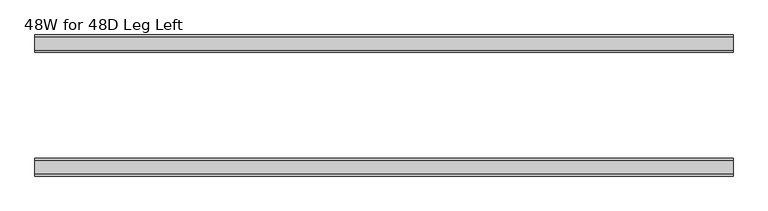
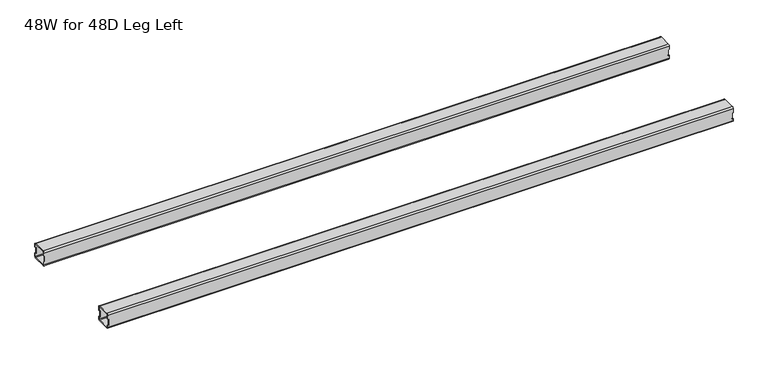
"""IFC4 building model written with IfcOpenShell, lengths in millimetres: furniture geometry, 48W for 48D Leg Left."""

from ifc_helpers import new_model, si_unit, frame, origin, place, context, project, spatial, polyline, circle_curve, source, transform, mapped, element, save
from ifc_brep_helpers import plane_surface, cylinder_surface, revolved_surface, advanced_brep


def furniture_48w_for_48d_leg_left_442c5aa0(model_context):
    return source(origin(), model_context, "Body", "AdvancedBrep", [
        advanced_brep(
        [(789.5077, -195.0, 656.526), (789.5077, -191.0, 652.526), (789.5077, -159.0, 652.526), (789.5077, -155.0, 656.526), (789.5077, -155.0, 664.026), (789.5077, -157.0, 664.026), (789.5077, -157.0, 656.526), (789.5077, -159.0, 654.526), (789.5077, -191.0, 654.526), (789.5077, -193.0, 656.526), (789.5077, -193.0, 664.026), (789.5077, -195.0, 664.026), (789.5077, -159.0, 692.15), (789.5077, -191.0, 692.15), (789.5077, -195.0, 688.15), (789.5077, -195.0, 680.65), (789.5077, -193.0, 680.65), (789.5077, -193.0, 688.15), (789.5077, -191.0, 690.15), (789.5077, -159.0, 690.15), (789.5077, -157.0, 688.15), (789.5077, -157.0, 680.65), (789.5077, -155.0, 680.65), (789.5077, -155.0, 688.15), (-800.8625, -155.0, 656.526), (-800.8625, -159.0, 652.526), (-800.8625, -191.0, 652.526), (-800.8625, -195.0, 656.526), (-800.8625, -195.0, 664.026), (-800.8625, -193.0, 664.026), (-800.8625, -193.0, 656.526), (-800.8625, -191.0, 654.526), (-800.8625, -159.0, 654.526), (-800.8625, -157.0, 656.526), (-800.8625, -157.0, 664.026), (-800.8625, -155.0, 664.026), (-800.8625, -159.0, 692.15), (-800.8625, -155.0, 688.15), (-800.8625, -155.0, 680.65), (-800.8625, -157.0, 680.65), (-800.8625, -157.0, 688.15), (-800.8625, -159.0, 690.15), (-800.8625, -191.0, 690.15), (-800.8625, -193.0, 688.15), (-800.8625, -193.0, 680.65), (-800.8625, -195.0, 680.65), (-800.8625, -195.0, 688.15), (-800.8625, -191.0, 692.15), (788.1427, -155.0, 680.65), (787.5077, -155.0, 680.015), (787.5077, -155.0, 664.661), (788.1427, -155.0, 664.026), (-799.4975, -155.0, 664.026), (-798.8625, -155.0, 664.661), (-798.8625, -155.0, 680.015), (-799.4975, -155.0, 680.65), (788.1427, -195.0, 664.026), (787.5077, -195.0, 664.661), (787.5077, -195.0, 680.015), (788.1427, -195.0, 680.65), (-799.4975, -195.0, 680.65), (-798.8625, -195.0, 680.015), (-798.8625, -195.0, 664.661), (-799.4975, -195.0, 664.026), (788.1427, -193.0, 680.65), (787.5077, -193.0, 680.015), (787.5077, -193.0, 664.661), (788.1427, -193.0, 664.026), (-799.4975, -193.0, 664.026), (-798.8625, -193.0, 664.661), (-798.8625, -193.0, 680.015), (-799.4975, -193.0, 680.65), (788.1427, -157.0, 664.026), (787.5077, -157.0, 664.661), (787.5077, -157.0, 680.015), (788.1427, -157.0, 680.65), (-799.4975, -157.0, 680.65), (-798.8625, -157.0, 680.015), (-798.8625, -157.0, 664.661), (-799.4975, -157.0, 664.026)],
        [
            (0, 1, circle_curve(frame((789.5077, -191.0, 656.526), z_axis=(1.0, 0.0, 0.0), x_axis=(0.0, -1.0, 0.0)), 4.0)),
            (1, 2),
            (2, 3, circle_curve(frame((789.5077, -159.0, 656.526), z_axis=(1.0, 0.0, 0.0), x_axis=(0.0, -1.0, 0.0)), 4.0)),
            (3, 4),
            (4, 5),
            (5, 6),
            (6, 7, circle_curve(frame((789.5077, -159.0, 656.526), z_axis=(-1.0, 0.0, 0.0), x_axis=(0.0, -1.0, 0.0)), 2.0)),
            (7, 8),
            (8, 9, circle_curve(frame((789.5077, -191.0, 656.526), z_axis=(-1.0, 0.0, 0.0), x_axis=(0.0, -1.0, 0.0)), 2.0)),
            (9, 10),
            (10, 11),
            (11, 0),
            (12, 13),
            (13, 14, circle_curve(frame((789.5077, -191.0, 688.15), z_axis=(1.0, 0.0, 0.0), x_axis=(0.0, -1.0, 0.0)), 4.0)),
            (14, 15),
            (15, 16),
            (16, 17),
            (17, 18, circle_curve(frame((789.5077, -191.0, 688.15), z_axis=(-1.0, 0.0, 0.0), x_axis=(0.0, -1.0, 0.0)), 2.0)),
            (18, 19),
            (19, 20, circle_curve(frame((789.5077, -159.0, 688.15), z_axis=(-1.0, 0.0, 0.0), x_axis=(0.0, -1.0, 0.0)), 2.0)),
            (20, 21),
            (21, 22),
            (22, 23),
            (23, 12, circle_curve(frame((789.5077, -159.0, 688.15), z_axis=(1.0, 0.0, 0.0), x_axis=(0.0, -1.0, 0.0)), 4.0)),
            (24, 25, circle_curve(frame((-800.8625, -159.0, 656.526), z_axis=(-1.0, 0.0, 0.0), x_axis=(0.0, -1.0, 0.0)), 4.0)),
            (25, 26),
            (26, 27, circle_curve(frame((-800.8625, -191.0, 656.526), z_axis=(-1.0, 0.0, 0.0), x_axis=(0.0, -1.0, 0.0)), 4.0)),
            (27, 28),
            (28, 29),
            (29, 30),
            (30, 31, circle_curve(frame((-800.8625, -191.0, 656.526), z_axis=(1.0, 0.0, 0.0), x_axis=(0.0, -1.0, 0.0)), 2.0)),
            (31, 32),
            (32, 33, circle_curve(frame((-800.8625, -159.0, 656.526), z_axis=(1.0, 0.0, 0.0), x_axis=(0.0, -1.0, 0.0)), 2.0)),
            (33, 34),
            (34, 35),
            (35, 24),
            (36, 37, circle_curve(frame((-800.8625, -159.0, 688.15), z_axis=(-1.0, 0.0, 0.0), x_axis=(0.0, -1.0, 0.0)), 4.0)),
            (37, 38),
            (38, 39),
            (39, 40),
            (40, 41, circle_curve(frame((-800.8625, -159.0, 688.15), z_axis=(1.0, 0.0, 0.0), x_axis=(0.0, -1.0, 0.0)), 2.0)),
            (41, 42),
            (42, 43, circle_curve(frame((-800.8625, -191.0, 688.15), z_axis=(1.0, 0.0, 0.0), x_axis=(0.0, -1.0, 0.0)), 2.0)),
            (43, 44),
            (44, 45),
            (45, 46),
            (46, 47, circle_curve(frame((-800.8625, -191.0, 688.15), z_axis=(-1.0, 0.0, 0.0), x_axis=(0.0, -1.0, 0.0)), 4.0)),
            (47, 36),
            (23, 37),
            (36, 12),
            (22, 48),
            (48, 49, circle_curve(frame((788.1427, -155.0, 680.015), z_axis=(0.0, -1.0, 0.0), x_axis=(-1.0, 0.0, 0.0)), 0.635)),
            (49, 50),
            (50, 51, circle_curve(frame((788.1427, -155.0, 664.661), z_axis=(0.0, -1.0, 0.0), x_axis=(-1.0, 0.0, 0.0)), 0.635)),
            (51, 4),
            (3, 24),
            (35, 52),
            (52, 53, circle_curve(frame((-799.4975, -155.0, 664.661), z_axis=(0.0, -1.0, 0.0), x_axis=(1.0, 0.0, 0.0)), 0.635)),
            (53, 54),
            (54, 55, circle_curve(frame((-799.4975, -155.0, 680.015), z_axis=(0.0, -1.0, 0.0), x_axis=(1.0, 0.0, 0.0)), 0.635)),
            (55, 38),
            (2, 25),
            (1, 26),
            (0, 27),
            (11, 56),
            (56, 57, circle_curve(frame((788.1427, -195.0, 664.661), z_axis=(0.0, 1.0, 0.0), x_axis=(-1.0, 0.0, 0.0)), 0.635)),
            (57, 58),
            (58, 59, circle_curve(frame((788.1427, -195.0, 680.015), z_axis=(0.0, 1.0, 0.0), x_axis=(-1.0, 0.0, 0.0)), 0.635)),
            (59, 15),
            (14, 46),
            (45, 60),
            (60, 61, circle_curve(frame((-799.4975, -195.0, 680.015), z_axis=(0.0, 1.0, 0.0), x_axis=(1.0, 0.0, 0.0)), 0.635)),
            (61, 62),
            (62, 63, circle_curve(frame((-799.4975, -195.0, 664.661), z_axis=(0.0, 1.0, 0.0), x_axis=(1.0, 0.0, 0.0)), 0.635)),
            (63, 28),
            (13, 47),
            (17, 43),
            (42, 18),
            (16, 64),
            (64, 65, circle_curve(frame((788.1427, -193.0, 680.015), z_axis=(0.0, -1.0, 0.0), x_axis=(-1.0, 0.0, 0.0)), 0.635)),
            (65, 66),
            (66, 67, circle_curve(frame((788.1427, -193.0, 664.661), z_axis=(0.0, -1.0, 0.0), x_axis=(-1.0, 0.0, 0.0)), 0.635)),
            (67, 10),
            (9, 30),
            (29, 68),
            (68, 69, circle_curve(frame((-799.4975, -193.0, 664.661), z_axis=(0.0, -1.0, 0.0), x_axis=(1.0, 0.0, 0.0)), 0.635)),
            (69, 70),
            (70, 71, circle_curve(frame((-799.4975, -193.0, 680.015), z_axis=(0.0, -1.0, 0.0), x_axis=(1.0, 0.0, 0.0)), 0.635)),
            (71, 44),
            (8, 31),
            (7, 32),
            (6, 33),
            (5, 72),
            (72, 73, circle_curve(frame((788.1427, -157.0, 664.661), z_axis=(0.0, 1.0, 0.0), x_axis=(-1.0, 0.0, 0.0)), 0.635)),
            (73, 74),
            (74, 75, circle_curve(frame((788.1427, -157.0, 680.015), z_axis=(0.0, 1.0, 0.0), x_axis=(-1.0, 0.0, 0.0)), 0.635)),
            (75, 21),
            (20, 40),
            (39, 76),
            (76, 77, circle_curve(frame((-799.4975, -157.0, 680.015), z_axis=(0.0, 1.0, 0.0), x_axis=(1.0, 0.0, 0.0)), 0.635)),
            (77, 78),
            (78, 79, circle_curve(frame((-799.4975, -157.0, 664.661), z_axis=(0.0, 1.0, 0.0), x_axis=(1.0, 0.0, 0.0)), 0.635)),
            (79, 34),
            (19, 41),
            (63, 68),
            (79, 52),
            (62, 69),
            (78, 53),
            (61, 70),
            (77, 54),
            (60, 71),
            (76, 55),
            (67, 56),
            (51, 72),
            (66, 57),
            (50, 73),
            (65, 58),
            (49, 74),
            (64, 59),
            (48, 75),
        ],
        [
            plane_surface(frame((789.5077, -191.0, 692.15), z_axis=(1.0, 0.0, 0.0), x_axis=(0.0, -1.0, 0.0))),
            plane_surface(frame((-800.8625, -191.0, 692.15), z_axis=(-1.0, 0.0, 0.0), x_axis=(0.0, 1.0, 0.0))),
            cylinder_surface(frame((-800.8625, -159.0, 688.15), z_axis=(1.0, 0.0, 0.0), x_axis=(0.0, -1.0, 0.0)), 4.0),
            plane_surface(frame((789.5077, -155.0, 656.526), z_axis=(0.0, 1.0, -2.77038700604848e-12), x_axis=(-1.0, 0.0, 0.0))),
            cylinder_surface(frame((-800.8625, -159.0, 656.526), z_axis=(1.0, 0.0, 0.0), x_axis=(0.0, -1.0, 0.0)), 4.0),
            plane_surface(frame((789.5077, -191.0, 652.526), z_axis=(0.0, 0.0, -1.0), x_axis=(-1.0, 0.0, 0.0))),
            cylinder_surface(frame((-800.8625, -191.0, 656.526), z_axis=(1.0, 0.0, 0.0), x_axis=(0.0, -1.0, 0.0)), 4.0),
            plane_surface(frame((789.5077, -195.0, 688.15), z_axis=(0.0, -1.0, 0.0), x_axis=(-1.0, 0.0, 0.0))),
            cylinder_surface(frame((-800.8625, -191.0, 688.15), z_axis=(1.0, 0.0, 0.0), x_axis=(0.0, -1.0, 0.0)), 4.0),
            plane_surface(frame((789.5077, -159.0, 692.15), z_axis=(0.0, 0.0, 1.0), x_axis=(-1.0, 0.0, 0.0))),
            revolved_surface(polyline([(-800.8625, -193.0, 688.15), (789.5076999999999, -193.0, 688.15)]), (-673.8625, -191.0, 688.15), (-1.0, 0.0, 0.0)),
            plane_surface(frame((789.5077, -193.0, 656.526), z_axis=(0.0, 1.0, 0.0), x_axis=(-1.0, 0.0, 0.0))),
            revolved_surface(polyline([(-800.8625, -193.0, 656.526), (789.5076999999999, -193.0, 656.526)]), (-673.8625, -191.0, 656.526), (-1.0, 0.0, 0.0)),
            plane_surface(frame((789.5077, -159.0, 654.526), z_axis=(0.0, 0.0, 1.0), x_axis=(-1.0, 0.0, 0.0))),
            revolved_surface(polyline([(-800.8625, -161.0, 656.526), (789.5076999999999, -161.0, 656.526)]), (-673.8625, -159.0, 656.526), (-1.0, 0.0, 0.0)),
            plane_surface(frame((789.5077, -157.0, 688.15), z_axis=(0.0, -1.0, 0.0), x_axis=(-1.0, 0.0, 0.0))),
            revolved_surface(polyline([(-800.8625, -161.0, 688.15), (789.5076999999999, -161.0, 688.15)]), (-673.8625, -159.0, 688.15), (-1.0, 0.0, 0.0)),
            plane_surface(frame((789.5077, -191.0, 690.15), z_axis=(0.0, 2.732547521581362e-12, -1.0), x_axis=(-1.0, 0.0, 0.0))),
            plane_surface(frame((-799.4975, -155.0, 664.026), z_axis=(0.0, 0.0, 1.0), x_axis=(0.0, -1.0, 0.0))),
            revolved_surface(polyline([(-798.8625, -193.0, 664.661), (-798.8625, -195.0, 664.661)]), (-799.4975, -195.0, 664.661), (0.0, 1.0, 0.0)),
            revolved_surface(polyline([(-798.8625, -155.0, 664.661), (-798.8625, -157.0, 664.661)]), (-799.4975, -195.0, 664.661), (0.0, 1.0, 0.0)),
            plane_surface(frame((-798.8625, -155.0, 680.015), z_axis=(-1.0, 0.0, -5.66858444144488e-12), x_axis=(0.0, -1.0, 0.0))),
            revolved_surface(polyline([(-798.8625, -193.0, 680.015), (-798.8625, -195.0, 680.015)]), (-799.4975, -195.0, 680.015), (0.0, 1.0, 0.0)),
            revolved_surface(polyline([(-798.8625, -155.0, 680.015), (-798.8625, -157.0, 680.015)]), (-799.4975, -195.0, 680.015), (0.0, 1.0, 0.0)),
            plane_surface(frame((-800.8625, -155.0, 680.65), z_axis=(7.764514303605956e-11, 0.0, -1.0), x_axis=(0.0, -1.0, 0.0))),
            plane_surface(frame((789.5077, -155.0, 664.026), z_axis=(0.0, 0.0, 1.0), x_axis=(0.0, -1.0, 0.0))),
            revolved_surface(polyline([(787.5077, -193.0, 664.661), (787.5077, -195.0, 664.661)]), (788.1427, -195.0, 664.661), (0.0, 1.0, 0.0)),
            revolved_surface(polyline([(787.5077, -155.0, 664.661), (787.5077, -157.0, 664.661)]), (788.1427, -195.0, 664.661), (0.0, 1.0, 0.0)),
            plane_surface(frame((787.5077, -155.0, 664.661), z_axis=(1.0, 0.0, 8.163466863122722e-12), x_axis=(0.0, -1.0, 0.0))),
            revolved_surface(polyline([(787.5077, -193.0, 680.015), (787.5077, -195.0, 680.015)]), (788.1427, -195.0, 680.015), (0.0, 1.0, 0.0)),
            revolved_surface(polyline([(787.5077, -155.0, 680.015), (787.5077, -157.0, 680.015)]), (788.1427, -195.0, 680.015), (0.0, 1.0, 0.0)),
            plane_surface(frame((788.1427, -155.0, 680.65), z_axis=(-8.726401774417909e-12, 0.0, -1.0), x_axis=(0.0, -1.0, 0.0))),
        ],
        [
            (0, [[1, 2, 3, 4, 5, 6, 7, 8, 9, 10, 11, 12]]),
            (0, [[13, 14, 15, 16, 17, 18, 19, 20, 21, 22, 23, 24]]),
            (1, [[25, 26, 27, 28, 29, 30, 31, 32, 33, 34, 35, 36]]),
            (1, [[37, 38, 39, 40, 41, 42, 43, 44, 45, 46, 47, 48]]),
            (2, [[-24, 49, -37, 50]]),
            (3, [[-49, -23, 51, 52, 53, 54, 55, -4, 56, -36, 57, 58, 59, 60, 61, -38]]),
            (4, [[-3, 62, -25, -56]]),
            (5, [[-2, 63, -26, -62]]),
            (6, [[-1, 64, -27, -63]]),
            (7, [[-64, -12, 65, 66, 67, 68, 69, -15, 70, -46, 71, 72, 73, 74, 75, -28]]),
            (8, [[-14, 76, -47, -70]]),
            (9, [[-13, -50, -48, -76]]),
            (10, [[-18, 77, -43, 78]]),
            (11, [[-77, -17, 79, 80, 81, 82, 83, -10, 84, -30, 85, 86, 87, 88, 89, -44]]),
            (12, [[-9, 90, -31, -84]]),
            (13, [[-8, 91, -32, -90]]),
            (14, [[-7, 92, -33, -91]]),
            (15, [[-92, -6, 93, 94, 95, 96, 97, -21, 98, -40, 99, 100, 101, 102, 103, -34]]),
            (16, [[-20, 104, -41, -98]]),
            (17, [[-19, -78, -42, -104]]),
            (18, [[105, -85, -29, -75]]),
            (18, [[106, -57, -35, -103]]),
            (19, [[-105, -74, 107, -86]]),
            (20, [[-106, -102, 108, -58]]),
            (21, [[-107, -73, 109, -87]]),
            (21, [[-108, -101, 110, -59]]),
            (22, [[-109, -72, 111, -88]]),
            (23, [[-110, -100, 112, -60]]),
            (24, [[-111, -71, -45, -89]]),
            (24, [[-112, -99, -39, -61]]),
            (25, [[113, -65, -11, -83]]),
            (25, [[114, -93, -5, -55]]),
            (26, [[-113, -82, 115, -66]]),
            (27, [[-114, -54, 116, -94]]),
            (28, [[-115, -81, 117, -67]]),
            (28, [[-116, -53, 118, -95]]),
            (29, [[-117, -80, 119, -68]]),
            (30, [[-118, -52, 120, -96]]),
            (31, [[-119, -79, -16, -69]]),
            (31, [[-120, -51, -22, -97]]),
        ],
    ),
        advanced_brep(
        [(789.5077, -472.5082, 695.0), (789.5077, -476.5082, 691.0), (789.5077, -476.5082, 680.65), (789.5077, -474.5082, 680.65), (789.5077, -474.5082, 691.0), (789.5077, -472.5082, 693.0), (789.5077, -440.5082, 693.0), (789.5077, -438.5082, 691.0), (789.5077, -438.5082, 680.65), (789.5077, -436.5082, 680.65), (789.5077, -436.5082, 691.0), (789.5077, -440.5082, 695.0), (789.5077, -476.5082, 659.376), (789.5077, -472.5082, 655.376), (789.5077, -440.5082, 655.376), (789.5077, -436.5082, 659.376), (789.5077, -436.5082, 664.026), (789.5077, -438.5082, 664.026), (789.5077, -438.5082, 659.376), (789.5077, -440.5082, 657.376), (789.5077, -472.5082, 657.376), (789.5077, -474.5082, 659.376), (789.5077, -474.5082, 664.026), (789.5077, -476.5082, 664.026), (-800.8625, -472.5082, 695.0), (-800.8625, -440.5082, 695.0), (-800.8625, -436.5082, 691.0), (-800.8625, -436.5082, 680.65), (-800.8625, -438.5082, 680.65), (-800.8625, -438.5082, 691.0), (-800.8625, -440.5082, 693.0), (-800.8625, -472.5082, 693.0), (-800.8625, -474.5082, 691.0), (-800.8625, -474.5082, 680.65), (-800.8625, -476.5082, 680.65), (-800.8625, -476.5082, 691.0), (-800.8625, -436.5082, 659.376), (-800.8625, -440.5082, 655.376), (-800.8625, -472.5082, 655.376), (-800.8625, -476.5082, 659.376), (-800.8625, -476.5082, 664.026), (-800.8625, -474.5082, 664.026), (-800.8625, -474.5082, 659.376), (-800.8625, -472.5082, 657.376), (-800.8625, -440.5082, 657.376), (-800.8625, -438.5082, 659.376), (-800.8625, -438.5082, 664.026), (-800.8625, -436.5082, 664.026), (-799.4975, -476.5082, 680.65), (-798.8625, -476.5082, 680.015), (-798.8625, -476.5082, 664.661), (-799.4975, -476.5082, 664.026), (788.1427, -476.5082, 664.026), (787.5077, -476.5082, 664.661), (787.5077, -476.5082, 680.015), (788.1427, -476.5082, 680.65), (-799.4975, -436.5082, 664.026), (-798.8625, -436.5082, 664.661), (-798.8625, -436.5082, 680.015), (-799.4975, -436.5082, 680.65), (788.1427, -436.5082, 680.65), (787.5077, -436.5082, 680.015), (787.5077, -436.5082, 664.661), (788.1427, -436.5082, 664.026), (-799.4975, -438.5082, 680.65), (-798.8625, -438.5082, 680.015), (-798.8625, -438.5082, 664.661), (-799.4975, -438.5082, 664.026), (788.1427, -438.5082, 664.026), (787.5077, -438.5082, 664.661), (787.5077, -438.5082, 680.015), (788.1427, -438.5082, 680.65), (-799.4975, -474.5082, 664.026), (-798.8625, -474.5082, 664.661), (-798.8625, -474.5082, 680.015), (-799.4975, -474.5082, 680.65), (788.1427, -474.5082, 680.65), (787.5077, -474.5082, 680.015), (787.5077, -474.5082, 664.661), (788.1427, -474.5082, 664.026)],
        [
            (0, 1, circle_curve(frame((789.5077, -472.5082, 691.0), z_axis=(1.0, 0.0, 0.0), x_axis=(0.0, 1.0, 0.0)), 4.0)),
            (1, 2),
            (2, 3),
            (3, 4),
            (4, 5, circle_curve(frame((789.5077, -472.5082, 691.0), z_axis=(-1.0, 0.0, 0.0), x_axis=(0.0, 1.0, 0.0)), 2.0)),
            (5, 6),
            (6, 7, circle_curve(frame((789.5077, -440.5082, 691.0), z_axis=(-1.0, 0.0, 0.0), x_axis=(0.0, 1.0, 0.0)), 2.0)),
            (7, 8),
            (8, 9),
            (9, 10),
            (10, 11, circle_curve(frame((789.5077, -440.5082, 691.0), z_axis=(1.0, 0.0, 0.0), x_axis=(0.0, 1.0, 0.0)), 4.0)),
            (11, 0),
            (12, 13, circle_curve(frame((789.5077, -472.5082, 659.376), z_axis=(1.0, 0.0, 0.0), x_axis=(0.0, 1.0, 0.0)), 4.0)),
            (13, 14),
            (14, 15, circle_curve(frame((789.5077, -440.5082, 659.376), z_axis=(1.0, 0.0, 0.0), x_axis=(0.0, 1.0, 0.0)), 4.0)),
            (15, 16),
            (16, 17),
            (17, 18),
            (18, 19, circle_curve(frame((789.5077, -440.5082, 659.376), z_axis=(-1.0, 0.0, 0.0), x_axis=(0.0, 1.0, 0.0)), 2.0)),
            (19, 20),
            (20, 21, circle_curve(frame((789.5077, -472.5082, 659.376), z_axis=(-1.0, 0.0, 0.0), x_axis=(0.0, 1.0, 0.0)), 2.0)),
            (21, 22),
            (22, 23),
            (23, 12),
            (24, 25),
            (25, 26, circle_curve(frame((-800.8625, -440.5082, 691.0), z_axis=(-1.0, 0.0, 0.0), x_axis=(0.0, 1.0, 0.0)), 4.0)),
            (26, 27),
            (27, 28),
            (28, 29),
            (29, 30, circle_curve(frame((-800.8625, -440.5082, 691.0), z_axis=(1.0, 0.0, 0.0), x_axis=(0.0, 1.0, 0.0)), 2.0)),
            (30, 31),
            (31, 32, circle_curve(frame((-800.8625, -472.5082, 691.0), z_axis=(1.0, 0.0, 0.0), x_axis=(0.0, 1.0, 0.0)), 2.0)),
            (32, 33),
            (33, 34),
            (34, 35),
            (35, 24, circle_curve(frame((-800.8625, -472.5082, 691.0), z_axis=(-1.0, 0.0, 0.0), x_axis=(0.0, 1.0, 0.0)), 4.0)),
            (36, 37, circle_curve(frame((-800.8625, -440.5082, 659.376), z_axis=(-1.0, 0.0, 0.0), x_axis=(0.0, 1.0, 0.0)), 4.0)),
            (37, 38),
            (38, 39, circle_curve(frame((-800.8625, -472.5082, 659.376), z_axis=(-1.0, 0.0, 0.0), x_axis=(0.0, 1.0, 0.0)), 4.0)),
            (39, 40),
            (40, 41),
            (41, 42),
            (42, 43, circle_curve(frame((-800.8625, -472.5082, 659.376), z_axis=(1.0, 0.0, 0.0), x_axis=(0.0, 1.0, 0.0)), 2.0)),
            (43, 44),
            (44, 45, circle_curve(frame((-800.8625, -440.5082, 659.376), z_axis=(1.0, 0.0, 0.0), x_axis=(0.0, 1.0, 0.0)), 2.0)),
            (45, 46),
            (46, 47),
            (47, 36),
            (0, 24),
            (35, 1),
            (34, 48),
            (48, 49, circle_curve(frame((-799.4975, -476.5082, 680.015), z_axis=(0.0, 1.0, 0.0), x_axis=(1.0, 0.0, 0.0)), 0.635)),
            (49, 50),
            (50, 51, circle_curve(frame((-799.4975, -476.5082, 664.661), z_axis=(0.0, 1.0, 0.0), x_axis=(1.0, 0.0, 0.0)), 0.635)),
            (51, 40),
            (39, 12),
            (23, 52),
            (52, 53, circle_curve(frame((788.1427, -476.5082, 664.661), z_axis=(0.0, 1.0, 0.0), x_axis=(-1.0, 0.0, 0.0)), 0.635)),
            (53, 54),
            (54, 55, circle_curve(frame((788.1427, -476.5082, 680.015), z_axis=(0.0, 1.0, 0.0), x_axis=(-1.0, 0.0, 0.0)), 0.635)),
            (55, 2),
            (38, 13),
            (37, 14),
            (36, 15),
            (47, 56),
            (56, 57, circle_curve(frame((-799.4975, -436.5082, 664.661), z_axis=(0.0, -1.0, 0.0), x_axis=(1.0, 0.0, 0.0)), 0.635)),
            (57, 58),
            (58, 59, circle_curve(frame((-799.4975, -436.5082, 680.015), z_axis=(0.0, -1.0, 0.0), x_axis=(1.0, 0.0, 0.0)), 0.635)),
            (59, 27),
            (26, 10),
            (9, 60),
            (60, 61, circle_curve(frame((788.1427, -436.5082, 680.015), z_axis=(0.0, -1.0, 0.0), x_axis=(-1.0, 0.0, 0.0)), 0.635)),
            (61, 62),
            (62, 63, circle_curve(frame((788.1427, -436.5082, 664.661), z_axis=(0.0, -1.0, 0.0), x_axis=(-1.0, 0.0, 0.0)), 0.635)),
            (63, 16),
            (25, 11),
            (6, 30),
            (29, 7),
            (28, 64),
            (64, 65, circle_curve(frame((-799.4975, -438.5082, 680.015), z_axis=(0.0, 1.0, 0.0), x_axis=(1.0, 0.0, 0.0)), 0.635)),
            (65, 66),
            (66, 67, circle_curve(frame((-799.4975, -438.5082, 664.661), z_axis=(0.0, 1.0, 0.0), x_axis=(1.0, 0.0, 0.0)), 0.635)),
            (67, 46),
            (45, 18),
            (17, 68),
            (68, 69, circle_curve(frame((788.1427, -438.5082, 664.661), z_axis=(0.0, 1.0, 0.0), x_axis=(-1.0, 0.0, 0.0)), 0.635)),
            (69, 70),
            (70, 71, circle_curve(frame((788.1427, -438.5082, 680.015), z_axis=(0.0, 1.0, 0.0), x_axis=(-1.0, 0.0, 0.0)), 0.635)),
            (71, 8),
            (44, 19),
            (43, 20),
            (42, 21),
            (41, 72),
            (72, 73, circle_curve(frame((-799.4975, -474.5082, 664.661), z_axis=(0.0, -1.0, 0.0), x_axis=(1.0, 0.0, 0.0)), 0.635)),
            (73, 74),
            (74, 75, circle_curve(frame((-799.4975, -474.5082, 680.015), z_axis=(0.0, -1.0, 0.0), x_axis=(1.0, 0.0, 0.0)), 0.635)),
            (75, 33),
            (32, 4),
            (3, 76),
            (76, 77, circle_curve(frame((788.1427, -474.5082, 680.015), z_axis=(0.0, -1.0, 0.0), x_axis=(-1.0, 0.0, 0.0)), 0.635)),
            (77, 78),
            (78, 79, circle_curve(frame((788.1427, -474.5082, 664.661), z_axis=(0.0, -1.0, 0.0), x_axis=(-1.0, 0.0, 0.0)), 0.635)),
            (79, 22),
            (31, 5),
            (67, 56),
            (51, 72),
            (66, 57),
            (50, 73),
            (65, 58),
            (49, 74),
            (64, 59),
            (48, 75),
            (63, 68),
            (79, 52),
            (62, 69),
            (78, 53),
            (61, 70),
            (77, 54),
            (60, 71),
            (76, 55),
        ],
        [
            plane_surface(frame((789.5077, -468.5082, 691.0), z_axis=(1.0, 0.0, 0.0), x_axis=(0.0, 0.0, 1.0))),
            plane_surface(frame((-800.8625, -468.5082, 691.0), z_axis=(-1.0, 0.0, 0.0), x_axis=(0.0, 0.0, -1.0))),
            cylinder_surface(frame((-800.8625, -472.5082, 691.0), z_axis=(1.0, 0.0, 0.0), x_axis=(0.0, 1.0, 0.0)), 4.0),
            plane_surface(frame((789.5077, -476.5082, 691.0), z_axis=(0.0, -1.0, 0.0), x_axis=(-1.0, 0.0, 0.0))),
            cylinder_surface(frame((-800.8625, -472.5082, 659.376), z_axis=(1.0, 0.0, 0.0), x_axis=(0.0, 1.0, 0.0)), 4.0),
            plane_surface(frame((789.5077, -472.5082, 655.376), z_axis=(0.0, 0.0, -1.0), x_axis=(-1.0, 0.0, 0.0))),
            cylinder_surface(frame((-800.8625, -440.5082, 659.376), z_axis=(1.0, 0.0, 0.0), x_axis=(0.0, 1.0, 0.0)), 4.0),
            plane_surface(frame((789.5077, -436.5082, 659.376), z_axis=(0.0, 1.0, 0.0), x_axis=(-1.0, 0.0, 0.0))),
            cylinder_surface(frame((-800.8625, -440.5082, 691.0), z_axis=(1.0, 0.0, 0.0), x_axis=(0.0, 1.0, 0.0)), 4.0),
            plane_surface(frame((789.5077, -440.5082, 695.0), z_axis=(0.0, 0.0, 1.0), x_axis=(-1.0, 0.0, 0.0))),
            revolved_surface(polyline([(-800.8625, -438.5082, 691.0), (789.5076999999999, -438.5082, 691.0)]), (-673.8625, -440.5082, 691.0), (-1.0, 0.0, 0.0)),
            plane_surface(frame((789.5077, -438.5082, 691.0), z_axis=(0.0, -1.0, 0.0), x_axis=(-1.0, 0.0, 0.0))),
            revolved_surface(polyline([(-800.8625, -438.5082, 659.376), (789.5076999999999, -438.5082, 659.376)]), (-673.8625, -440.5082, 659.376), (-1.0, 0.0, 0.0)),
            plane_surface(frame((789.5077, -440.5082, 657.376), z_axis=(0.0, 0.0, 1.0), x_axis=(-1.0, 0.0, 0.0))),
            revolved_surface(polyline([(-800.8625, -470.5082, 659.376), (789.5076999999999, -470.5082, 659.376)]), (-673.8625, -472.5082, 659.376), (-1.0, 0.0, 0.0)),
            plane_surface(frame((789.5077, -474.5082, 659.376), z_axis=(0.0, 1.0, 0.0), x_axis=(-1.0, 0.0, 0.0))),
            revolved_surface(polyline([(-800.8625, -470.5082, 691.0), (789.5076999999999, -470.5082, 691.0)]), (-673.8625, -472.5082, 691.0), (-1.0, 0.0, 0.0)),
            plane_surface(frame((789.5077, -472.5082, 693.0), z_axis=(0.0, 0.0, -1.0), x_axis=(-1.0, 0.0, 0.0))),
            plane_surface(frame((-800.8625, -476.5082, 664.026), z_axis=(0.0, 0.0, 1.0), x_axis=(0.0, 1.0, 0.0))),
            revolved_surface(polyline([(-798.8625, -438.5082, 664.661), (-798.8625, -436.5082, 664.661)]), (-799.4975, -436.5082, 664.661), (0.0, -1.0, 0.0)),
            revolved_surface(polyline([(-798.8625, -476.5082, 664.661), (-798.8625, -474.5082, 664.661)]), (-799.4975, -436.5082, 664.661), (0.0, -1.0, 0.0)),
            plane_surface(frame((-798.8625, -476.5082, 664.661), z_axis=(-1.0, 0.0, 7.69622739874723e-12), x_axis=(0.0, 1.0, 0.0))),
            revolved_surface(polyline([(-798.8625, -438.5082, 680.015), (-798.8625, -436.5082, 680.015)]), (-799.4975, -436.5082, 680.015), (0.0, -1.0, 0.0)),
            revolved_surface(polyline([(-798.8625, -476.5082, 680.015), (-798.8625, -474.5082, 680.015)]), (-799.4975, -436.5082, 680.015), (0.0, -1.0, 0.0)),
            plane_surface(frame((-799.4975, -476.5082, 680.65), z_axis=(1.9991393147252246e-10, 0.0, -1.0), x_axis=(0.0, 1.0, 0.0))),
            plane_surface(frame((788.1427, -476.5082, 664.026), z_axis=(0.0, 0.0, 1.0), x_axis=(0.0, 1.0, 0.0))),
            revolved_surface(polyline([(787.5077, -438.5082, 664.661), (787.5077, -436.5082, 664.661)]), (788.1427, -436.5082, 664.661), (0.0, -1.0, 0.0)),
            revolved_surface(polyline([(787.5077, -476.5082, 664.661), (787.5077, -474.5082, 664.661)]), (788.1427, -436.5082, 664.661), (0.0, -1.0, 0.0)),
            plane_surface(frame((787.5077, -476.5082, 680.015), z_axis=(1.0, 0.0, 1.578035171145715e-12), x_axis=(0.0, 1.0, 0.0))),
            revolved_surface(polyline([(787.5077, -438.5082, 680.015), (787.5077, -436.5082, 680.015)]), (788.1427, -436.5082, 680.015), (0.0, -1.0, 0.0)),
            revolved_surface(polyline([(787.5077, -476.5082, 680.015), (787.5077, -474.5082, 680.015)]), (788.1427, -436.5082, 680.015), (0.0, -1.0, 0.0)),
            plane_surface(frame((789.5077, -476.5082, 680.65), z_axis=(-7.348026948080475e-11, 0.0, -1.0), x_axis=(0.0, 1.0, 0.0))),
        ],
        [
            (0, [[1, 2, 3, 4, 5, 6, 7, 8, 9, 10, 11, 12]]),
            (0, [[13, 14, 15, 16, 17, 18, 19, 20, 21, 22, 23, 24]]),
            (1, [[25, 26, 27, 28, 29, 30, 31, 32, 33, 34, 35, 36]]),
            (1, [[37, 38, 39, 40, 41, 42, 43, 44, 45, 46, 47, 48]]),
            (2, [[-1, 49, -36, 50]]),
            (3, [[-50, -35, 51, 52, 53, 54, 55, -40, 56, -24, 57, 58, 59, 60, 61, -2]]),
            (4, [[-13, -56, -39, 62]]),
            (5, [[-14, -62, -38, 63]]),
            (6, [[-15, -63, -37, 64]]),
            (7, [[-64, -48, 65, 66, 67, 68, 69, -27, 70, -10, 71, 72, 73, 74, 75, -16]]),
            (8, [[-11, -70, -26, 76]]),
            (9, [[-12, -76, -25, -49]]),
            (10, [[-7, 77, -30, 78]]),
            (11, [[-78, -29, 79, 80, 81, 82, 83, -46, 84, -18, 85, 86, 87, 88, 89, -8]]),
            (12, [[-19, -84, -45, 90]]),
            (13, [[-20, -90, -44, 91]]),
            (14, [[-21, -91, -43, 92]]),
            (15, [[-92, -42, 93, 94, 95, 96, 97, -33, 98, -4, 99, 100, 101, 102, 103, -22]]),
            (16, [[-5, -98, -32, 104]]),
            (17, [[-6, -104, -31, -77]]),
            (18, [[105, -65, -47, -83]]),
            (18, [[106, -93, -41, -55]]),
            (19, [[-105, -82, 107, -66]]),
            (20, [[-106, -54, 108, -94]]),
            (21, [[-107, -81, 109, -67]]),
            (21, [[-108, -53, 110, -95]]),
            (22, [[-109, -80, 111, -68]]),
            (23, [[-110, -52, 112, -96]]),
            (24, [[-111, -79, -28, -69]]),
            (24, [[-112, -51, -34, -97]]),
            (25, [[113, -85, -17, -75]]),
            (25, [[114, -57, -23, -103]]),
            (26, [[-113, -74, 115, -86]]),
            (27, [[-114, -102, 116, -58]]),
            (28, [[-115, -73, 117, -87]]),
            (28, [[-116, -101, 118, -59]]),
            (29, [[-117, -72, 119, -88]]),
            (30, [[-118, -100, 120, -60]]),
            (31, [[-119, -71, -9, -89]]),
            (31, [[-120, -99, -3, -61]]),
        ],
    ),
    ])


if __name__ == "__main__":
    model = new_model("IFC4")
    model_context = context("Model", 3, world=origin())
    ifc_project = project(units=[si_unit("LENGTHUNIT", "METRE", prefix="MILLI")], contexts=[model_context])
    site = spatial("IfcSite", under=ifc_project)
    building = spatial("IfcBuilding", under=site)
    placement = place(None, origin())
    furniture_48w_for_48d_leg_left_shape = furniture_48w_for_48d_leg_left_442c5aa0(model_context)
    element("IfcFurniture", 1, ObjectType="48W for 48D Leg Left", at=placement, inside=building, context=model_context, shape_type="MappedRepresentation", body=[
        mapped(furniture_48w_for_48d_leg_left_shape, transform((0.0, 0.0, 0.0), x_axis=(1.0, 0.0, 0.0), y_axis=(0.0, 1.0, 0.0), z_axis=(0.0, 0.0, 1.0))),
    ])
    save(model, "model.ifc")
